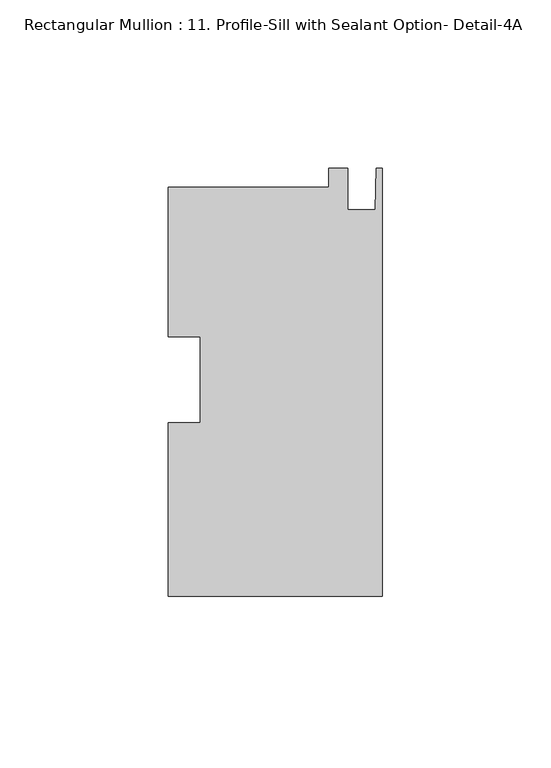
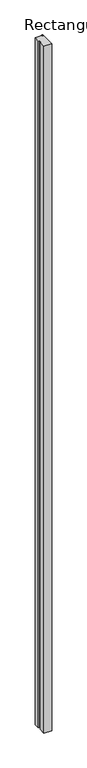
"""IFC4 building model written with IfcOpenShell, lengths in millimetres: member geometry, Rectangular Mullion : 11. Profile-Sill with Sealant Option- Detail-4A."""

from ifc_helpers import new_model, si_unit, frame, origin, place, context, project, spatial, polyline, outline, extrude, source, transform, mapped, element, save


def rectangular_mullion_11_profile_sill_with_sealant_option_c434532f(model_context):
    return source(origin(), model_context, "Body", "SweptSolid", [
        extrude(outline(polyline([(0.0, -64.356047), (-63.5, -64.356047), (-63.5, -12.8235862), (-53.975, -12.8235862), (-53.975, 12.6641122), (-63.5, 12.6641122), (-63.5, 57.081353), (-15.8694428, 57.081353), (-15.8694428, 62.643953), (-10.3124, 62.643953), (-10.3124, 50.299553), (-2.032, 50.299553), (-1.778, 62.643953), (0.0, 62.643953), (0.0, -64.356047)])), frame((0.0, 0.0, -5921.6392262), z_axis=(0.0, 0.0, 1.0), x_axis=(1.0, 0.0, 0.0)), (0.0, 0.0, 1.0), 5921.6392262),
    ])


if __name__ == "__main__":
    model = new_model("IFC4")
    model_context = context("Model", 3, world=origin())
    ifc_project = project(units=[si_unit("LENGTHUNIT", "METRE", prefix="MILLI")], contexts=[model_context])
    site = spatial("IfcSite", under=ifc_project)
    building = spatial("IfcBuilding", under=site)
    placement = place(None, origin())
    rectangular_mullion_11_profile_sill_with_sealant_option_shape = rectangular_mullion_11_profile_sill_with_sealant_option_c434532f(model_context)
    element("IfcMember", 1, ObjectType="Rectangular Mullion : 11. Profile-Sill with Sealant Option- Detail-4A", at=placement, inside=building, context=model_context, shape_type="MappedRepresentation", body=[
        mapped(rectangular_mullion_11_profile_sill_with_sealant_option_shape, transform((0.0, 0.0, 0.0), x_axis=(1.0, 0.0, 0.0), y_axis=(0.0, 1.0, 0.0), z_axis=(0.0, 0.0, 1.0))),
    ])
    save(model, "model.ifc")
